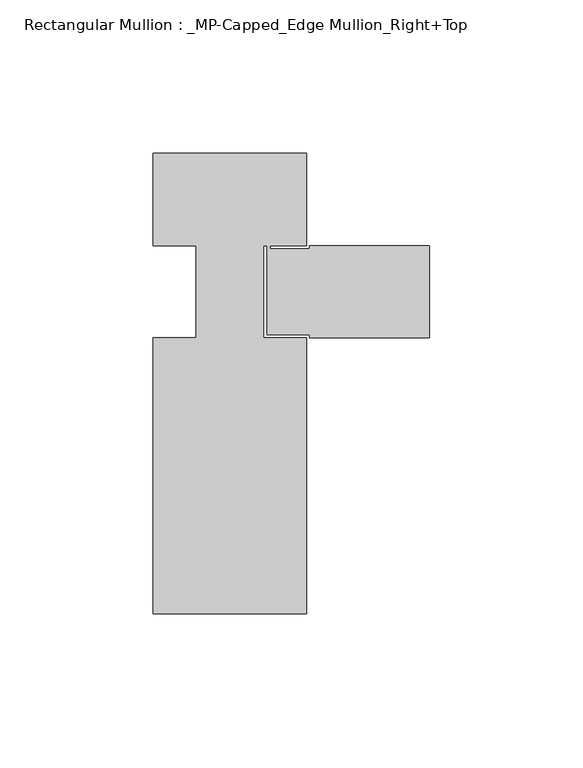
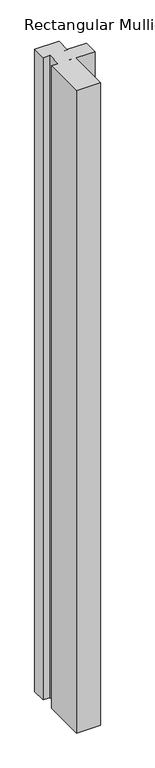
"""IFC4 building model written with IfcOpenShell, lengths in millimetres: member geometry, Rectangular Mullion : _MP-Capped_Edge Mullion_Right+Top."""

from ifc_helpers import new_model, si_unit, frame, origin, place, context, project, spatial, polyline, outline, extrude, source, transform, mapped, element, save


def rectangular_mullion_mp_capped_edge_mullion_right_top_f92701bb(model_context):
    return source(origin(), model_context, "Body", "SweptSolid", [
        extrude(outline(polyline([(-40.0, 0.0), (-40.0, -30.0), (-52.0, -30.0), (-52.0, -31.0), (-39.0, -31.0), (-39.0, -30.0), (0.0, -30.0), (0.0, -60.0), (-39.0, -60.0), (-39.0, -59.0), (-53.0, -59.0), (-53.0, -30.0), (-54.0, -30.0), (-54.0, -60.0), (-40.0, -60.0), (-40.0, -150.0), (-90.0, -150.0), (-90.0, -60.0), (-76.0, -60.0), (-76.0, -30.0), (-90.0, -30.0), (-90.0, 0.0), (-40.0, 0.0)])), frame((0.0, 0.0, -1405.0), z_axis=(0.0, 0.0, 1.0), x_axis=(1.0, 0.0, 0.0)), (0.0, 0.0, 1.0), 1405.0),
    ])


if __name__ == "__main__":
    model = new_model("IFC4")
    model_context = context("Model", 3, world=origin())
    ifc_project = project(units=[si_unit("LENGTHUNIT", "METRE", prefix="MILLI")], contexts=[model_context])
    site = spatial("IfcSite", under=ifc_project)
    building = spatial("IfcBuilding", under=site)
    placement = place(None, origin())
    rectangular_mullion_mp_capped_edge_mullion_right_top_shape = rectangular_mullion_mp_capped_edge_mullion_right_top_f92701bb(model_context)
    element("IfcMember", 1, ObjectType="Rectangular Mullion : _MP-Capped_Edge Mullion_Right+Top", at=placement, inside=building, context=model_context, shape_type="MappedRepresentation", body=[
        mapped(rectangular_mullion_mp_capped_edge_mullion_right_top_shape, transform((0.0, 0.0, 0.0), x_axis=(1.0, 0.0, 0.0), y_axis=(0.0, 1.0, 0.0), z_axis=(0.0, 0.0, 1.0))),
    ])
    save(model, "model.ifc")
